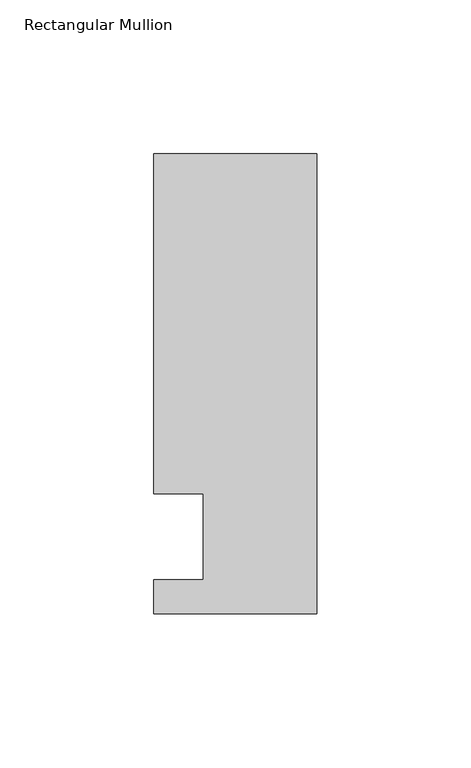
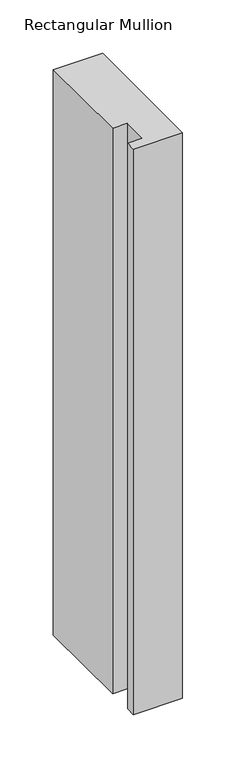
"""IFC4 building model written with IfcOpenShell, lengths in millimetres: member geometry, Rectangular Mullion."""

from ifc_helpers import new_model, si_unit, frame, origin, place, context, project, spatial, polyline, outline, extrude, source, transform, mapped, element, save


def rectangular_mullion_c9b480f2(model_context):
    return source(origin(), model_context, "Body", "SweptSolid", [
        extrude(outline(polyline([(0.0, -25.0), (-53.0, -25.0), (-53.0, -14.0), (-37.0, -14.0), (-37.0, 14.0), (-53.0, 14.0), (-53.0, 124.5), (0.0, 124.5), (0.0, -25.0)])), frame((0.0, 0.0, -645.561551), z_axis=(0.0, 0.0, 1.0), x_axis=(1.0, 0.0, 0.0)), (0.0, 0.0, 1.0), 645.561551),
    ])


if __name__ == "__main__":
    model = new_model("IFC4")
    model_context = context("Model", 3, world=origin())
    ifc_project = project(units=[si_unit("LENGTHUNIT", "METRE", prefix="MILLI")], contexts=[model_context])
    site = spatial("IfcSite", under=ifc_project)
    building = spatial("IfcBuilding", under=site)
    placement = place(None, origin())
    rectangular_mullion_shape = rectangular_mullion_c9b480f2(model_context)
    element("IfcMember", 1, ObjectType="Rectangular Mullion", at=placement, inside=building, context=model_context, shape_type="MappedRepresentation", body=[
        mapped(rectangular_mullion_shape, transform((0.0, 0.0, 0.0), x_axis=(1.0, 0.0, 0.0), y_axis=(0.0, 1.0, 0.0), z_axis=(0.0, 0.0, 1.0))),
    ])
    save(model, "model.ifc")
